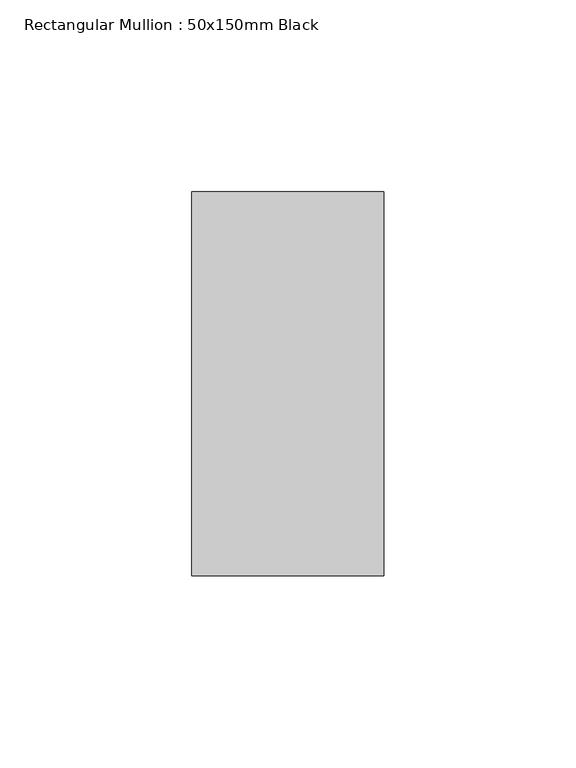
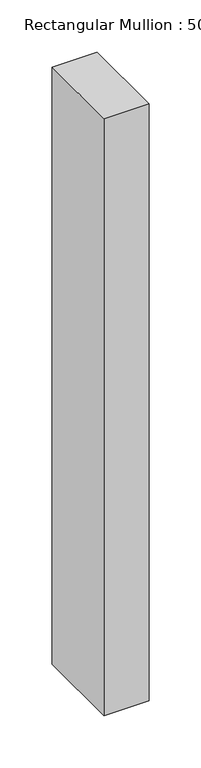
"""IFC4 building model written with IfcOpenShell, lengths in millimetres: member geometry, Rectangular Mullion : 50x150mm Black."""

from ifc_helpers import new_model, si_unit, frame, origin, place, context, project, spatial, polyline, outline, extrude, source, transform, mapped, element, save


def rectangular_mullion_50x150mm_black_a9b3deda(model_context):
    return source(origin(), model_context, "Body", "SweptSolid", [
        extrude(outline(polyline([(25.0, 50.0), (25.0, -50.0), (-25.0, -50.0), (-25.0, 50.0), (25.0, 50.0)])), frame((0.0, 0.0, -700.0), z_axis=(0.0, 0.0, 1.0), x_axis=(1.0, 0.0, 0.0)), (0.0, 0.0, 1.0), 700.0),
    ])


if __name__ == "__main__":
    model = new_model("IFC4")
    model_context = context("Model", 3, world=origin())
    ifc_project = project(units=[si_unit("LENGTHUNIT", "METRE", prefix="MILLI")], contexts=[model_context])
    site = spatial("IfcSite", under=ifc_project)
    building = spatial("IfcBuilding", under=site)
    placement = place(None, origin())
    rectangular_mullion_50x150mm_black_shape = rectangular_mullion_50x150mm_black_a9b3deda(model_context)
    element("IfcMember", 1, ObjectType="Rectangular Mullion : 50x150mm Black", at=placement, inside=building, context=model_context, shape_type="MappedRepresentation", body=[
        mapped(rectangular_mullion_50x150mm_black_shape, transform((0.0, 0.0, 0.0), x_axis=(1.0, 0.0, 0.0), y_axis=(0.0, 1.0, 0.0), z_axis=(0.0, 0.0, 1.0))),
    ])
    save(model, "model.ifc")
